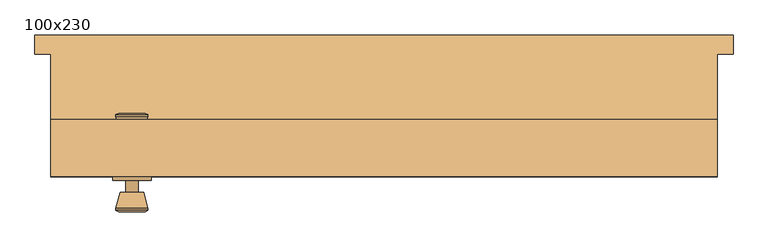
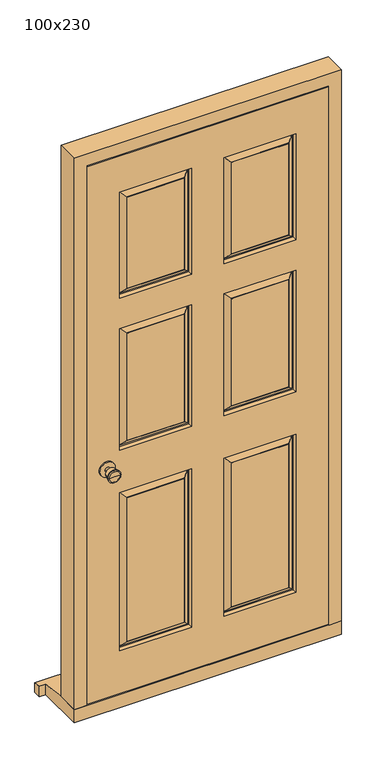
"""IFC4 building model written with IfcOpenShell, lengths in millimetres: door geometry, 100x230."""

from ifc_helpers import new_model, si_unit, point, frame, frame_2d, origin, place, context, project, spatial, polyline, circle_curve, trimmed, segment, composite_curve, outline, extrude, faceted_brep, source, transform, mapped, element, save
from ifc_brep_helpers import plane_surface, cylinder_surface, revolved_surface, advanced_brep


def door_100x230_48813446(model_context):
    return source(origin(), model_context, "Body", "SolidModel", [
        advanced_brep(
        [(-393.5, 12.5, 1000.0), (-383.5, 12.5, 1000.0), (-403.5, 12.5, 1000.0), (-373.0241324, -36.5, 1000.0), (-393.5, -36.5, 1000.0), (-413.9758676, -36.5, 1000.0), (-368.5, -34.6721319, 1000.0), (-418.5, -34.6721319, 1000.0), (-368.5, -31.2084537, 1000.0), (-418.5, -31.2084537, 1000.0), (-374.863764, -6.5, 1000.0), (-412.136236, -6.5, 1000.0), (-383.5, -6.5, 1000.0), (-403.5, -6.5, 1000.0)],
        [
            (0, 1),
            (1, 2, circle_curve(frame((-393.5, 12.5, 1000.0), z_axis=(0.0, 1.0, 0.0), x_axis=(-1.0, 0.0, 0.0)), 10.0)),
            (2, 0),
            (2, 1, circle_curve(frame((-393.5, 12.5, 1000.0), z_axis=(0.0, 1.0, 0.0), x_axis=(-1.0, 0.0, 0.0)), 10.0)),
            (3, 4),
            (4, 5),
            (5, 3, circle_curve(frame((-393.5, -36.5, 1000.0), z_axis=(0.0, -1.0, 0.0), x_axis=(-1.0, 0.0, 0.0)), 20.4758676)),
            (3, 5, circle_curve(frame((-393.5, -36.5, 1000.0), z_axis=(0.0, -1.0, 0.0), x_axis=(-1.0, 0.0, 0.0)), 20.4758676)),
            (6, 3),
            (5, 7),
            (7, 6, circle_curve(frame((-393.5, -34.6721319, 1000.0), z_axis=(0.0, -1.0, 0.0), x_axis=(-1.0, 0.0, 0.0)), 25.0)),
            (6, 7, circle_curve(frame((-393.5, -34.6721319, 1000.0), z_axis=(0.0, -1.0, 0.0), x_axis=(-1.0, 0.0, 0.0)), 25.0)),
            (8, 6),
            (7, 9),
            (9, 8, circle_curve(frame((-393.5, -31.2084537, 1000.0), z_axis=(0.0, -1.0, 0.0), x_axis=(-1.0, 0.0, 0.0)), 25.0)),
            (8, 9, circle_curve(frame((-393.5, -31.2084537, 1000.0), z_axis=(0.0, -1.0, 0.0), x_axis=(-1.0, 0.0, 0.0)), 25.0)),
            (10, 8),
            (9, 11),
            (11, 10, circle_curve(frame((-393.5, -6.5, 1000.0), z_axis=(0.0, -1.0, 0.0), x_axis=(-1.0, 0.0, 0.0)), 18.636236)),
            (10, 11, circle_curve(frame((-393.5, -6.5, 1000.0), z_axis=(0.0, -1.0, 0.0), x_axis=(-1.0, 0.0, 0.0)), 18.636236)),
            (12, 10),
            (11, 13),
            (13, 12, circle_curve(frame((-393.5, -6.5, 1000.0), z_axis=(0.0, -1.0, 0.0), x_axis=(-1.0, 0.0, 0.0)), 10.0)),
            (12, 13, circle_curve(frame((-393.5, -6.5, 1000.0), z_axis=(0.0, -1.0, 0.0), x_axis=(-1.0, 0.0, 0.0)), 10.0)),
            (1, 12),
            (13, 2),
        ],
        [
            plane_surface(frame((-393.5, 12.5, 1000.0), z_axis=(0.0, 1.0, 0.0), x_axis=(-1.0, 0.0, 0.0))),
            plane_surface(frame((-393.5, -36.5, 1000.0), z_axis=(0.0, -1.0, 0.0), x_axis=(-1.0, 0.0, 0.0))),
            revolved_surface(polyline([(-413.9758676, -36.5, 1000.0), (-418.5, -34.6721319, 1000.0)]), (-393.5, 12.5, 1000.0), (0.0, 1.0, 0.0)),
            cylinder_surface(frame((-393.5, 12.5, 1000.0), z_axis=(0.0, 1.0, 0.0), x_axis=(-1.0, 0.0, 0.0)), 25.0),
            revolved_surface(polyline([(-418.5, -31.2084537, 1000.0), (-412.136236, -6.5, 1000.0)]), (-393.5, 12.5, 1000.0), (0.0, 1.0, 0.0)),
            plane_surface(frame((-393.5, -6.5, 1000.0), z_axis=(0.0, 1.0, 0.0), x_axis=(-1.0, 0.0, 0.0))),
            cylinder_surface(frame((-393.5, 12.5, 1000.0), z_axis=(0.0, 1.0, 0.0), x_axis=(-1.0, 0.0, 0.0)), 10.0),
        ],
        [
            (0, [[1, 2, 3]]),
            (0, [[-3, 4, -1]]),
            (1, [[5, 6, 7]]),
            (1, [[-6, -5, 8]]),
            (2, [[9, -7, 10, 11]]),
            (2, [[-10, -8, -9, 12]]),
            (3, [[13, -11, 14, 15]]),
            (3, [[-14, -12, -13, 16]]),
            (4, [[17, -15, 18, 19]]),
            (4, [[-18, -16, -17, 20]]),
            (5, [[21, -19, 22, 23]]),
            (5, [[-22, -20, -21, 24]]),
            (6, [[25, -23, 26, -2]]),
            (6, [[-26, -24, -25, -4]]),
        ],
    ),
        extrude(outline(composite_curve([segment(trimmed(circle_curve(frame_2d((1000.0, -393.5)), 30.0), [point((1000.0, -423.5))], [point((1000.0, -363.5))], False, "CARTESIAN"), True, "CONTINUOUS"), segment(trimmed(circle_curve(frame_2d((1000.0, -393.5)), 30.0), [point((1000.0, -363.5))], [point((1000.0, -423.5))], False, "CARTESIAN"), True, "CONTINUOUS")], self_intersect=False)), frame((0.0, 12.5, 0.0), z_axis=(0.0, 1.0, 0.0), x_axis=(0.0, 0.0, 1.0)), (0.0, 0.0, 1.0), 6.0),
        advanced_brep(
        [(-393.5, 68.5, 1000.0), (-403.5, 68.5, 1000.0), (-383.5, 68.5, 1000.0), (-373.0241324, 117.5, 1000.0), (-413.9758676, 117.5, 1000.0), (-393.5, 117.5, 1000.0), (-368.5, 115.6721319, 1000.0), (-418.5, 115.6721319, 1000.0), (-368.5, 112.2084537, 1000.0), (-418.5, 112.2084537, 1000.0), (-374.863764, 87.5, 1000.0), (-412.136236, 87.5, 1000.0), (-383.5, 87.5, 1000.0), (-403.5, 87.5, 1000.0)],
        [
            (0, 1),
            (1, 2, circle_curve(frame((-393.5, 68.5, 1000.0), z_axis=(0.0, -1.0, 0.0), x_axis=(-1.0, 0.0, 0.0)), 10.0)),
            (2, 0),
            (2, 1, circle_curve(frame((-393.5, 68.5, 1000.0), z_axis=(0.0, -1.0, 0.0), x_axis=(-1.0, 0.0, 0.0)), 10.0)),
            (3, 4, circle_curve(frame((-393.5, 117.5, 1000.0), z_axis=(0.0, 1.0, 0.0), x_axis=(-1.0, 0.0, 0.0)), 20.4758676)),
            (4, 5),
            (5, 3),
            (4, 3, circle_curve(frame((-393.5, 117.5, 1000.0), z_axis=(0.0, 1.0, 0.0), x_axis=(-1.0, 0.0, 0.0)), 20.4758676)),
            (6, 7, circle_curve(frame((-393.5, 115.6721319, 1000.0), z_axis=(0.0, 1.0, 0.0), x_axis=(-1.0, 0.0, 0.0)), 25.0)),
            (7, 4),
            (3, 6),
            (7, 6, circle_curve(frame((-393.5, 115.6721319, 1000.0), z_axis=(0.0, 1.0, 0.0), x_axis=(-1.0, 0.0, 0.0)), 25.0)),
            (8, 9, circle_curve(frame((-393.5, 112.2084537, 1000.0), z_axis=(0.0, 1.0, 0.0), x_axis=(-1.0, 0.0, 0.0)), 25.0)),
            (9, 7),
            (6, 8),
            (9, 8, circle_curve(frame((-393.5, 112.2084537, 1000.0), z_axis=(0.0, 1.0, 0.0), x_axis=(-1.0, 0.0, 0.0)), 25.0)),
            (10, 11, circle_curve(frame((-393.5, 87.5, 1000.0), z_axis=(0.0, 1.0, 0.0), x_axis=(-1.0, 0.0, 0.0)), 18.636236)),
            (11, 9),
            (8, 10),
            (11, 10, circle_curve(frame((-393.5, 87.5, 1000.0), z_axis=(0.0, 1.0, 0.0), x_axis=(-1.0, 0.0, 0.0)), 18.636236)),
            (12, 13, circle_curve(frame((-393.5, 87.5, 1000.0), z_axis=(0.0, 1.0, 0.0), x_axis=(-1.0, 0.0, 0.0)), 10.0)),
            (13, 11),
            (10, 12),
            (13, 12, circle_curve(frame((-393.5, 87.5, 1000.0), z_axis=(0.0, 1.0, 0.0), x_axis=(-1.0, 0.0, 0.0)), 10.0)),
            (1, 13),
            (12, 2),
        ],
        [
            plane_surface(frame((-393.5, 68.5, 1000.0), z_axis=(0.0, -1.0, 0.0), x_axis=(-1.0, 0.0, 0.0))),
            plane_surface(frame((-393.5, 117.5, 1000.0), z_axis=(0.0, 1.0, 0.0), x_axis=(-1.0, 0.0, 0.0))),
            revolved_surface(polyline([(-413.9758676, 117.5, 1000.0), (-418.5, 115.6721319, 1000.0)]), (-393.5, 68.5, 1000.0), (0.0, -1.0, 0.0)),
            cylinder_surface(frame((-393.5, 68.5, 1000.0), z_axis=(0.0, -1.0, 0.0), x_axis=(-1.0, 0.0, 0.0)), 25.0),
            revolved_surface(polyline([(-418.5, 112.2084537, 1000.0), (-412.136236, 87.5, 1000.0)]), (-393.5, 68.5, 1000.0), (0.0, -1.0, 0.0)),
            plane_surface(frame((-393.5, 87.5, 1000.0), z_axis=(0.0, -1.0, 0.0), x_axis=(-1.0, 0.0, 0.0))),
            cylinder_surface(frame((-393.5, 68.5, 1000.0), z_axis=(0.0, -1.0, 0.0), x_axis=(-1.0, 0.0, 0.0)), 10.0),
        ],
        [
            (0, [[1, 2, 3]]),
            (0, [[-3, 4, -1]]),
            (1, [[5, 6, 7]]),
            (1, [[8, -7, -6]]),
            (2, [[9, 10, -5, 11]]),
            (2, [[12, -11, -8, -10]]),
            (3, [[13, 14, -9, 15]]),
            (3, [[16, -15, -12, -14]]),
            (4, [[17, 18, -13, 19]]),
            (4, [[20, -19, -16, -18]]),
            (5, [[21, 22, -17, 23]]),
            (5, [[24, -23, -20, -22]]),
            (6, [[-2, 25, -21, 26]]),
            (6, [[-4, -26, -24, -25]]),
        ],
    ),
        extrude(outline(composite_curve([segment(trimmed(circle_curve(frame_2d((1000.0, -393.5)), 30.0), [point((1000.0, -423.5))], [point((1000.0, -363.5))], False, "CARTESIAN"), True, "CONTINUOUS"), segment(trimmed(circle_curve(frame_2d((1000.0, -393.5)), 30.0), [point((1000.0, -363.5))], [point((1000.0, -423.5))], False, "CARTESIAN"), True, "CONTINUOUS")], self_intersect=False)), frame((0.0, 62.5, 0.0), z_axis=(0.0, 1.0, 0.0), x_axis=(0.0, 0.0, 1.0)), (0.0, 0.0, 1.0), 6.0),
        faceted_brep([(449.5, 107.5, 54.5), (520.0, 107.5, 54.5), (520.0, 18.5, 54.5), (471.5, 18.5, 54.5), (471.5, 65.5, 54.5), (449.5, 65.5, 54.5), (449.5, 107.5, 2249.5), (-449.5, 107.5, 2249.5), (-449.5, 107.5, 54.5), (-520.0, 107.5, 54.5), (-520.0, 107.5, 2320.0), (520.0, 107.5, 2320.0), (520.0, 18.5, 2320.0), (-520.0, 18.5, 2320.0), (-520.0, 18.5, 54.5), (-471.5, 18.5, 54.5), (-471.5, 18.5, 2271.5), (471.5, 18.5, 2271.5), (471.5, 65.5, 2271.5), (-471.5, 65.5, 2271.5), (-471.5, 65.5, 54.5), (-449.5, 65.5, 54.5), (-449.5, 65.5, 2249.5), (449.5, 65.5, 2249.5)], [[[0, 1, 2, 3, 4, 5]], [[1, 0, 6, 7, 8, 9, 10, 11]], [[2, 1, 11, 12]], [[3, 2, 12, 13, 14, 15, 16, 17]], [[4, 3, 17, 18]], [[5, 4, 18, 19, 20, 21, 22, 23]], [[0, 5, 23, 6]], [[8, 7, 22, 21]], [[9, 8, 21, 20, 15, 14]], [[10, 9, 14, 13]], [[16, 15, 20, 19]], [[11, 10, 13, 12]], [[17, 16, 19, 18]], [[7, 6, 23, 22]]]),
        faceted_brep([(545.0, 240.0, 0.0), (545.0, 240.0, 38.5947221), (545.0, 210.0, 42.1959171), (545.0, 210.0, 0.0), (-545.0, 240.0, 38.5947221), (-545.0, 240.0, 0.0), (-545.0, 210.0, 0.0), (-545.0, 210.0, 42.1959171), (520.0, 210.0, 0.0), (520.0, 18.5, 0.0), (-520.0, 18.5, 0.0), (-520.0, 210.0, 0.0), (-520.0, 210.0, 42.1959171), (-520.0, 107.5, 54.5), (520.0, 107.5, 54.5), (520.0, 210.0, 42.1959171), (-520.0, 18.5, 54.5), (520.0, 18.5, 54.5)], [[[0, 1, 2, 3]], [[4, 5, 6, 7]], [[5, 0, 3, 8, 9, 10, 11, 6]], [[1, 0, 5, 4]], [[1, 4, 7, 12, 13, 14, 15, 2]], [[13, 16, 17, 14]], [[16, 10, 9, 17]], [[12, 11, 10, 16, 13]], [[11, 12, 7, 6]], [[8, 15, 14, 17, 9]], [[15, 8, 3, 2]]]),
        faceted_brep([(468.5, 18.5, 58.5), (468.5, 18.5, 2268.5), (-469.4250294, 18.5, 2268.5), (-469.4250294, 18.5, 58.5), (-62.5, 18.5, 883.5), (-62.5, 18.5, 233.5), (-343.5, 18.5, 233.5), (-343.5, 18.5, 883.5), (343.5, 18.5, 883.5), (343.5, 18.5, 233.5), (62.5, 18.5, 233.5), (62.5, 18.5, 883.5), (-62.5, 18.5, 1558.5), (-62.5, 18.5, 1058.5), (-343.5, 18.5, 1058.5), (-343.5, 18.5, 1558.5), (343.5, 18.5, 1558.5), (343.5, 18.5, 1058.5), (62.5, 18.5, 1058.5), (62.5, 18.5, 1558.5), (-62.5, 18.5, 2118.5), (-62.5, 18.5, 1683.5), (-343.5, 18.5, 1683.5), (-343.5, 18.5, 2118.5), (62.5, 18.5, 1683.5), (62.5, 18.5, 2118.5), (343.5, 18.5, 2118.5), (343.5, 18.5, 1683.5), (-92.5, 18.5, 263.5), (-92.5, 18.5, 853.5), (-313.5, 18.5, 853.5), (-313.5, 18.5, 263.5), (313.5, 18.5, 263.5), (313.5, 18.5, 853.5), (92.5, 18.5, 853.5), (92.5, 18.5, 263.5), (-92.5, 18.5, 1088.5), (-92.5, 18.5, 1528.5), (-313.5, 18.5, 1528.5), (-313.5, 18.5, 1088.5), (313.5, 18.5, 1088.5), (313.5, 18.5, 1528.5), (92.5, 18.5, 1528.5), (92.5, 18.5, 1088.5), (-92.5, 18.5, 1713.5), (-92.5, 18.5, 2088.5), (-313.5, 18.5, 2088.5), (-313.5, 18.5, 1713.5), (92.5, 18.5, 2088.5), (92.5, 18.5, 1713.5), (313.5, 18.5, 1713.5), (313.5, 18.5, 2088.5), (468.5, 62.5, 58.5), (-469.4250294, 62.5, 58.5), (-469.4250294, 62.5, 2268.5), (468.5, 62.5, 2268.5), (62.5, 62.5, 883.5), (62.5, 62.5, 233.5), (343.5, 62.5, 233.5), (343.5, 62.5, 883.5), (-343.5, 62.5, 883.5), (-343.5, 62.5, 233.5), (-62.5, 62.5, 233.5), (-62.5, 62.5, 883.5), (62.5, 62.5, 1558.5), (62.5, 62.5, 1058.5), (343.5, 62.5, 1058.5), (343.5, 62.5, 1558.5), (-343.5, 62.5, 1558.5), (-343.5, 62.5, 1058.5), (-62.5, 62.5, 1058.5), (-62.5, 62.5, 1558.5), (62.5, 62.5, 2118.5), (62.5, 62.5, 1683.5), (343.5, 62.5, 1683.5), (343.5, 62.5, 2118.5), (-343.5, 62.5, 2118.5), (-343.5, 62.5, 1683.5), (-62.5, 62.5, 1683.5), (-62.5, 62.5, 2118.5), (92.5, 62.5, 263.5), (92.5, 62.5, 853.5), (313.5, 62.5, 853.5), (313.5, 62.5, 263.5), (-313.5, 62.5, 263.5), (-313.5, 62.5, 853.5), (-92.5, 62.5, 853.5), (-92.5, 62.5, 263.5), (92.5, 62.5, 1088.5), (92.5, 62.5, 1528.5), (313.5, 62.5, 1528.5), (313.5, 62.5, 1088.5), (-313.5, 62.5, 1088.5), (-313.5, 62.5, 1528.5), (-92.5, 62.5, 1528.5), (-92.5, 62.5, 1088.5), (92.5, 62.5, 1713.5), (92.5, 62.5, 2088.5), (313.5, 62.5, 2088.5), (313.5, 62.5, 1713.5), (-313.5, 62.5, 1713.5), (-313.5, 62.5, 2088.5), (-92.5, 62.5, 2088.5), (-92.5, 62.5, 1713.5), (65.5, 47.5, 880.5), (65.5, 47.5, 236.5), (90.5, 61.5, 855.5), (90.5, 61.5, 261.5), (70.5, 47.5, 241.5), (70.5, 47.5, 875.5), (92.5, 61.5, 263.5), (92.5, 61.5, 853.5), (340.5, 47.5, 236.5), (315.5, 61.5, 261.5), (335.5, 47.5, 241.5), (313.5, 61.5, 263.5), (340.5, 47.5, 880.5), (315.5, 61.5, 855.5), (335.5, 47.5, 875.5), (313.5, 61.5, 853.5), (-340.5, 47.5, 880.5), (-340.5, 47.5, 236.5), (-315.5, 61.5, 855.5), (-315.5, 61.5, 261.5), (-335.5, 47.5, 241.5), (-335.5, 47.5, 875.5), (-313.5, 61.5, 263.5), (-313.5, 61.5, 853.5), (-65.5, 47.5, 236.5), (-90.5, 61.5, 261.5), (-70.5, 47.5, 241.5), (-92.5, 61.5, 263.5), (-65.5, 47.5, 880.5), (-90.5, 61.5, 855.5), (-70.5, 47.5, 875.5), (-92.5, 61.5, 853.5), (-92.5, 19.5, 263.5), (-92.5, 19.5, 853.5), (-70.5, 33.5, 241.5), (-70.5, 33.5, 875.5), (-90.5, 19.5, 855.5), (-90.5, 19.5, 261.5), (-65.5, 33.5, 880.5), (-65.5, 33.5, 236.5), (-313.5, 19.5, 853.5), (-335.5, 33.5, 875.5), (-315.5, 19.5, 855.5), (-340.5, 33.5, 880.5), (-313.5, 19.5, 263.5), (-335.5, 33.5, 241.5), (-315.5, 19.5, 261.5), (-340.5, 33.5, 236.5), (340.5, 33.5, 880.5), (340.5, 33.5, 236.5), (315.5, 19.5, 855.5), (315.5, 19.5, 261.5), (335.5, 33.5, 241.5), (335.5, 33.5, 875.5), (313.5, 19.5, 263.5), (313.5, 19.5, 853.5), (65.5, 33.5, 236.5), (90.5, 19.5, 261.5), (70.5, 33.5, 241.5), (92.5, 19.5, 263.5), (65.5, 33.5, 880.5), (90.5, 19.5, 855.5), (70.5, 33.5, 875.5), (92.5, 19.5, 853.5), (92.5, 61.5, 1088.5), (92.5, 61.5, 1528.5), (70.5, 47.5, 1066.5), (70.5, 47.5, 1550.5), (90.5, 61.5, 1530.5), (90.5, 61.5, 1086.5), (65.5, 47.5, 1555.5), (65.5, 47.5, 1061.5), (313.5, 61.5, 1528.5), (335.5, 47.5, 1550.5), (315.5, 61.5, 1530.5), (340.5, 47.5, 1555.5), (313.5, 61.5, 1088.5), (335.5, 47.5, 1066.5), (315.5, 61.5, 1086.5), (340.5, 47.5, 1061.5), (-313.5, 61.5, 1088.5), (-313.5, 61.5, 1528.5), (-335.5, 47.5, 1066.5), (-335.5, 47.5, 1550.5), (-315.5, 61.5, 1530.5), (-315.5, 61.5, 1086.5), (-340.5, 47.5, 1555.5), (-340.5, 47.5, 1061.5), (-92.5, 61.5, 1528.5), (-70.5, 47.5, 1550.5), (-90.5, 61.5, 1530.5), (-65.5, 47.5, 1555.5), (-92.5, 61.5, 1088.5), (-70.5, 47.5, 1066.5), (-90.5, 61.5, 1086.5), (-65.5, 47.5, 1061.5), (-92.5, 19.5, 1088.5), (-92.5, 19.5, 1528.5), (-70.5, 33.5, 1066.5), (-70.5, 33.5, 1550.5), (-90.5, 19.5, 1530.5), (-90.5, 19.5, 1086.5), (-65.5, 33.5, 1555.5), (-65.5, 33.5, 1061.5), (-313.5, 19.5, 1528.5), (-335.5, 33.5, 1550.5), (-315.5, 19.5, 1530.5), (-340.5, 33.5, 1555.5), (-313.5, 19.5, 1088.5), (-335.5, 33.5, 1066.5), (-315.5, 19.5, 1086.5), (-340.5, 33.5, 1061.5), (340.5, 33.5, 1555.5), (340.5, 33.5, 1061.5), (315.5, 19.5, 1530.5), (315.5, 19.5, 1086.5), (335.5, 33.5, 1066.5), (335.5, 33.5, 1550.5), (313.5, 19.5, 1088.5), (313.5, 19.5, 1528.5), (65.5, 33.5, 1061.5), (90.5, 19.5, 1086.5), (70.5, 33.5, 1066.5), (92.5, 19.5, 1088.5), (65.5, 33.5, 1555.5), (90.5, 19.5, 1530.5), (70.5, 33.5, 1550.5), (92.5, 19.5, 1528.5), (92.5, 61.5, 1713.5), (92.5, 61.5, 2088.5), (70.5, 47.5, 1691.5), (70.5, 47.5, 2110.5), (90.5, 61.5, 2090.5), (90.5, 61.5, 1711.5), (65.5, 47.5, 2115.5), (65.5, 47.5, 1686.5), (313.5, 61.5, 2088.5), (335.5, 47.5, 2110.5), (315.5, 61.5, 2090.5), (340.5, 47.5, 2115.5), (313.5, 61.5, 1713.5), (335.5, 47.5, 1691.5), (315.5, 61.5, 1711.5), (340.5, 47.5, 1686.5), (-313.5, 61.5, 1713.5), (-313.5, 61.5, 2088.5), (-335.5, 47.5, 1691.5), (-335.5, 47.5, 2110.5), (-315.5, 61.5, 2090.5), (-315.5, 61.5, 1711.5), (-340.5, 47.5, 2115.5), (-340.5, 47.5, 1686.5), (-92.5, 61.5, 2088.5), (-70.5, 47.5, 2110.5), (-90.5, 61.5, 2090.5), (-65.5, 47.5, 2115.5), (-92.5, 61.5, 1713.5), (-70.5, 47.5, 1691.5), (-90.5, 61.5, 1711.5), (-65.5, 47.5, 1686.5), (-92.5, 19.5, 1713.5), (-92.5, 19.5, 2088.5), (-70.5, 33.5, 1691.5), (-70.5, 33.5, 2110.5), (-90.5, 19.5, 2090.5), (-90.5, 19.5, 1711.5), (-65.5, 33.5, 2115.5), (-65.5, 33.5, 1686.5), (-313.5, 19.5, 2088.5), (-335.5, 33.5, 2110.5), (-315.5, 19.5, 2090.5), (-340.5, 33.5, 2115.5), (-313.5, 19.5, 1713.5), (-335.5, 33.5, 1691.5), (-315.5, 19.5, 1711.5), (-340.5, 33.5, 1686.5), (92.5, 19.5, 2088.5), (92.5, 19.5, 1713.5), (70.5, 33.5, 2110.5), (70.5, 33.5, 1691.5), (90.5, 19.5, 1711.5), (90.5, 19.5, 2090.5), (65.5, 33.5, 1686.5), (65.5, 33.5, 2115.5), (313.5, 19.5, 1713.5), (335.5, 33.5, 1691.5), (315.5, 19.5, 1711.5), (340.5, 33.5, 1686.5), (313.5, 19.5, 2088.5), (335.5, 33.5, 2110.5), (315.5, 19.5, 2090.5), (340.5, 33.5, 2115.5)], [[[0, 1, 2, 3], [4, 5, 6, 7], [8, 9, 10, 11], [12, 13, 14, 15], [16, 17, 18, 19], [20, 21, 22, 23], [24, 25, 26, 27]], [[28, 29, 30, 31]], [[32, 33, 34, 35]], [[36, 37, 38, 39]], [[40, 41, 42, 43]], [[44, 45, 46, 47]], [[48, 49, 50, 51]], [[52, 53, 54, 55], [56, 57, 58, 59], [60, 61, 62, 63], [64, 65, 66, 67], [68, 69, 70, 71], [72, 73, 74, 75], [76, 77, 78, 79]], [[80, 81, 82, 83]], [[84, 85, 86, 87]], [[88, 89, 90, 91]], [[92, 93, 94, 95]], [[96, 97, 98, 99]], [[100, 101, 102, 103]], [[1, 0, 52, 55]], [[2, 1, 55, 54]], [[3, 2, 54, 53]], [[0, 3, 53, 52]], [[104, 105, 57, 56]], [[106, 107, 108, 109]], [[80, 110, 111, 81]], [[57, 105, 112, 58]], [[108, 107, 113, 114]], [[110, 80, 83, 115]], [[58, 112, 116, 59]], [[114, 113, 117, 118]], [[115, 83, 82, 119]], [[104, 56, 59, 116]], [[105, 104, 116, 112], [109, 108, 114, 118]], [[106, 109, 118, 117]], [[107, 106, 117, 113], [111, 110, 115, 119]], [[81, 111, 119, 82]], [[120, 121, 61, 60]], [[122, 123, 124, 125]], [[84, 126, 127, 85]], [[61, 121, 128, 62]], [[124, 123, 129, 130]], [[126, 84, 87, 131]], [[62, 128, 132, 63]], [[130, 129, 133, 134]], [[131, 87, 86, 135]], [[120, 60, 63, 132]], [[121, 120, 132, 128], [125, 124, 130, 134]], [[122, 125, 134, 133]], [[123, 122, 133, 129], [127, 126, 131, 135]], [[85, 127, 135, 86]], [[136, 137, 29, 28]], [[138, 139, 140, 141]], [[4, 142, 143, 5]], [[29, 137, 144, 30]], [[140, 139, 145, 146]], [[142, 4, 7, 147]], [[30, 144, 148, 31]], [[146, 145, 149, 150]], [[147, 7, 6, 151]], [[136, 28, 31, 148]], [[141, 140, 146, 150], [137, 136, 148, 144]], [[138, 141, 150, 149]], [[143, 142, 147, 151], [139, 138, 149, 145]], [[5, 143, 151, 6]], [[152, 153, 9, 8]], [[154, 155, 156, 157]], [[32, 158, 159, 33]], [[9, 153, 160, 10]], [[156, 155, 161, 162]], [[158, 32, 35, 163]], [[10, 160, 164, 11]], [[162, 161, 165, 166]], [[163, 35, 34, 167]], [[152, 8, 11, 164]], [[153, 152, 164, 160], [157, 156, 162, 166]], [[154, 157, 166, 165]], [[155, 154, 165, 161], [159, 158, 163, 167]], [[33, 159, 167, 34]], [[168, 169, 89, 88]], [[170, 171, 172, 173]], [[64, 174, 175, 65]], [[89, 169, 176, 90]], [[172, 171, 177, 178]], [[174, 64, 67, 179]], [[90, 176, 180, 91]], [[178, 177, 181, 182]], [[179, 67, 66, 183]], [[168, 88, 91, 180]], [[173, 172, 178, 182], [169, 168, 180, 176]], [[170, 173, 182, 181]], [[175, 174, 179, 183], [171, 170, 181, 177]], [[65, 175, 183, 66]], [[184, 185, 93, 92]], [[186, 187, 188, 189]], [[68, 190, 191, 69]], [[93, 185, 192, 94]], [[188, 187, 193, 194]], [[190, 68, 71, 195]], [[94, 192, 196, 95]], [[194, 193, 197, 198]], [[195, 71, 70, 199]], [[184, 92, 95, 196]], [[189, 188, 194, 198], [185, 184, 196, 192]], [[186, 189, 198, 197]], [[191, 190, 195, 199], [187, 186, 197, 193]], [[69, 191, 199, 70]], [[200, 201, 37, 36]], [[202, 203, 204, 205]], [[12, 206, 207, 13]], [[37, 201, 208, 38]], [[204, 203, 209, 210]], [[206, 12, 15, 211]], [[38, 208, 212, 39]], [[210, 209, 213, 214]], [[211, 15, 14, 215]], [[200, 36, 39, 212]], [[205, 204, 210, 214], [201, 200, 212, 208]], [[202, 205, 214, 213]], [[207, 206, 211, 215], [203, 202, 213, 209]], [[13, 207, 215, 14]], [[216, 217, 17, 16]], [[218, 219, 220, 221]], [[40, 222, 223, 41]], [[17, 217, 224, 18]], [[220, 219, 225, 226]], [[222, 40, 43, 227]], [[18, 224, 228, 19]], [[226, 225, 229, 230]], [[227, 43, 42, 231]], [[216, 16, 19, 228]], [[217, 216, 228, 224], [221, 220, 226, 230]], [[218, 221, 230, 229]], [[219, 218, 229, 225], [223, 222, 227, 231]], [[41, 223, 231, 42]], [[232, 233, 97, 96]], [[234, 235, 236, 237]], [[72, 238, 239, 73]], [[97, 233, 240, 98]], [[236, 235, 241, 242]], [[238, 72, 75, 243]], [[98, 240, 244, 99]], [[242, 241, 245, 246]], [[243, 75, 74, 247]], [[232, 96, 99, 244]], [[237, 236, 242, 246], [233, 232, 244, 240]], [[234, 237, 246, 245]], [[239, 238, 243, 247], [235, 234, 245, 241]], [[73, 239, 247, 74]], [[248, 249, 101, 100]], [[250, 251, 252, 253]], [[76, 254, 255, 77]], [[101, 249, 256, 102]], [[252, 251, 257, 258]], [[254, 76, 79, 259]], [[102, 256, 260, 103]], [[258, 257, 261, 262]], [[259, 79, 78, 263]], [[248, 100, 103, 260]], [[253, 252, 258, 262], [249, 248, 260, 256]], [[250, 253, 262, 261]], [[255, 254, 259, 263], [251, 250, 261, 257]], [[77, 255, 263, 78]], [[264, 265, 45, 44]], [[266, 267, 268, 269]], [[20, 270, 271, 21]], [[45, 265, 272, 46]], [[268, 267, 273, 274]], [[270, 20, 23, 275]], [[46, 272, 276, 47]], [[274, 273, 277, 278]], [[275, 23, 22, 279]], [[264, 44, 47, 276]], [[269, 268, 274, 278], [265, 264, 276, 272]], [[266, 269, 278, 277]], [[271, 270, 275, 279], [267, 266, 277, 273]], [[21, 271, 279, 22]], [[280, 281, 49, 48]], [[282, 283, 284, 285]], [[24, 286, 287, 25]], [[49, 281, 288, 50]], [[284, 283, 289, 290]], [[286, 24, 27, 291]], [[50, 288, 292, 51]], [[290, 289, 293, 294]], [[291, 27, 26, 295]], [[280, 48, 51, 292]], [[285, 284, 290, 294], [281, 280, 292, 288]], [[282, 285, 294, 293]], [[287, 286, 291, 295], [283, 282, 293, 289]], [[25, 287, 295, 26]]]),
    ])


if __name__ == "__main__":
    model = new_model("IFC4")
    model_context = context("Model", 3, world=origin())
    ifc_project = project(units=[si_unit("LENGTHUNIT", "METRE", prefix="MILLI")], contexts=[model_context])
    site = spatial("IfcSite", under=ifc_project)
    building = spatial("IfcBuilding", under=site)
    placement = place(None, origin())
    door_100x230_shape = door_100x230_48813446(model_context)
    element("IfcDoor", 1, ObjectType="100x230", at=placement, inside=building, context=model_context, shape_type="MappedRepresentation", body=[
        mapped(door_100x230_shape, transform((0.0, 0.0, 0.0), x_axis=(1.0, 0.0, 0.0), y_axis=(0.0, 1.0, 0.0), z_axis=(0.0, 0.0, 1.0))),
    ])
    save(model, "model.ifc")
